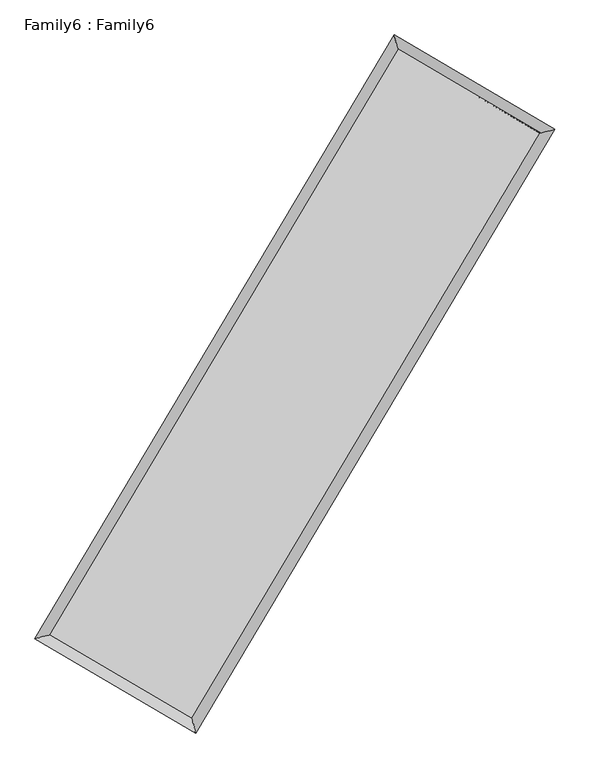
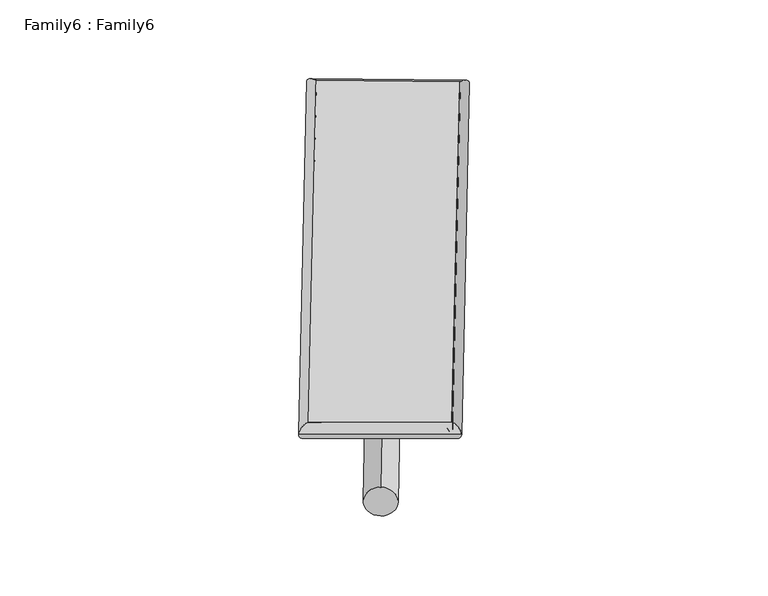
"""IFC4 building model written with IfcOpenShell, lengths in millimetres: plate geometry, Family6 : Family6."""

from ifc_helpers import new_model, si_unit, point, frame, origin, origin_2d, place, context, project, spatial, circle_curve, ellipse_curve, trimmed, segment, composite_curve, outline, extrude, source, transform, mapped, element, save
from ifc_brep_helpers import plane_surface, cylinder_surface, spline_surface, advanced_brep


def family6_family6_3de015d8(model_context):
    return source(origin(), model_context, "Body", "SolidModel", [
        extrude(outline(composite_curve([segment(trimmed(circle_curve(origin_2d(), 76.2), [point((-75.4341514, -10.7763073))], [point((75.4341514, 10.7763073))], False, "CARTESIAN"), True, "CONTINUOUS"), segment(trimmed(circle_curve(origin_2d(), 76.2), [point((75.4341514, 10.7763073))], [point((-75.4341514, -10.7763073))], False, "CARTESIAN"), True, "CONTINUOUS")], self_intersect=False)), frame((9144.0, 9144.0, 0.0), z_axis=(0.6738404526120105, 0.6870495938164237, 0.27184903910135194), x_axis=(-0.678987522607237, 0.7208910696631528, -0.13889567964340185)), (0.0, 0.0, 1.0), 5573.172594),
        extrude(outline(composite_curve([segment(trimmed(circle_curve(origin_2d(), 76.2), [point((-53.8815367, 53.8815368))], [point((53.8815367, -53.8815368))], False, "CARTESIAN"), True, "CONTINUOUS"), segment(trimmed(circle_curve(origin_2d(), 76.2), [point((53.8815367, -53.8815368))], [point((-53.8815367, 53.8815368))], False, "CARTESIAN"), True, "CONTINUOUS")], self_intersect=False)), frame((9144.0, 9144.0, 0.0), z_axis=(-0.6738600204006896, -0.6870392351611398, 0.2718267136518744), x_axis=(0.6404924702672798, -0.35976485795964586, 0.6784826029517584)), (0.0, 0.0, 1.0), 5573.6958231),
        extrude(outline(composite_curve([segment(trimmed(circle_curve(origin_2d(), 76.2), [point((-53.8815367, -53.8815367))], [point((53.8815367, 53.8815367))], False, "CARTESIAN"), True, "CONTINUOUS"), segment(trimmed(circle_curve(origin_2d(), 76.2), [point((53.8815367, 53.8815367))], [point((-53.8815367, -53.8815367))], False, "CARTESIAN"), True, "CONTINUOUS")], self_intersect=False)), frame((9144.0, 9144.0, 0.0), z_axis=(0.2814075840632882, 0.9193897398663697, 0.274831362584608), x_axis=(-0.8386795444943995, 0.3748190223263223, -0.3951295004792815)), (0.0, 0.0, 1.0), 5565.8422614),
        extrude(outline(composite_curve([segment(trimmed(circle_curve(origin_2d(), 76.2), [point((-75.4341515, 10.7763073))], [point((75.4341515, -10.7763073))], False, "CARTESIAN"), True, "CONTINUOUS"), segment(trimmed(circle_curve(origin_2d(), 76.2), [point((75.4341515, -10.7763073))], [point((-75.4341515, 10.7763073))], False, "CARTESIAN"), True, "CONTINUOUS")], self_intersect=False)), frame((9144.0, 9144.0, 0.0), z_axis=(-0.2812984012457871, -0.9193977548468617, 0.27491631060945526), x_axis=(0.8762645610529559, -0.12931103295140445, 0.4641541509021669)), (0.0, 0.0, 1.0), 5564.0526329),
        advanced_brep(
        [(5178.7795601, 5260.8448065, 1516.2488893), (5597.4462315, 5368.4700506, 1516.5563795), (5597.4388779, 5368.4597629, 1513.9099477), (10763.6987373, 14052.9167024, 1528.0712007), (10656.8417108, 14469.4398353, 1531.2648246), (5178.7722064, 5260.8345188, 1513.6024575), (12690.1678706, 12919.3548137, 1515.2175083), (13108.6904159, 13026.7371203, 1514.9057205), (7525.3281289, 4236.5655149, 1529.3777074), (7632.353651, 3820.2794881, 1529.9199364)],
        [
            (0, 1, ellipse_curve(frame((5388.109219, 5314.6522847, 1515.0794185), z_axis=(-0.2489685284197286, 0.9685066998433749, -0.0030731441569767947), x_axis=(-0.9684951627714637, -0.2489815286359632, -0.005031708097164942)), 216.1496508, 152.4)),
            (1, 2, ellipse_curve(frame((5388.109219, 5314.6522847, 1515.0794185), z_axis=(-0.2489685284197286, 0.9685066998433749, -0.0030731441569767947), x_axis=(-0.9684951627714637, -0.2489815286359632, -0.005031708097164942)), 216.1496508, 152.4)),
            (2, 3),
            (3, 4, ellipse_curve(frame((10710.2702241, 14261.1782688, 1529.6680126), z_axis=(-0.9686221807957982, -0.24851893093756824, 0.003067871581441795), x_axis=(0.24850184329662856, -0.9686181583054656, -0.005069248376831701)), 215.0123029, 152.4)),
            (4, 0),
            (2, 5, ellipse_curve(frame((5388.109219, 5314.6522847, 1515.0794185), z_axis=(-0.2489685284197286, 0.9685066998433749, -0.0030731441569767947), x_axis=(-0.9684951627714637, -0.2489815286359632, -0.005031708097164942)), 216.1496508, 152.4)),
            (5, 0, ellipse_curve(frame((5388.109219, 5314.6522847, 1515.0794185), z_axis=(-0.2489685284197286, 0.9685066998433749, -0.0030731441569767947), x_axis=(-0.9684951627714637, -0.2489815286359632, -0.005031708097164942)), 216.1496508, 152.4)),
            (4, 3, ellipse_curve(frame((10710.2702241, 14261.1782688, 1529.6680126), z_axis=(-0.9686221807957982, -0.24851893093756824, 0.003067871581441795), x_axis=(0.24850184329662856, -0.9686181583054656, -0.005069248376831701)), 215.0123029, 152.4)),
            (3, 6),
            (6, 7, ellipse_curve(frame((12899.4291432, 12973.045967, 1515.0616144), z_axis=(-0.24852149206713975, 0.9686214775028642, 0.0030824180266437167), x_axis=(-0.9686098860931323, -0.2485345733520358, 0.005045236502968881)), 216.0414899, 152.4)),
            (7, 4),
            (7, 6, ellipse_curve(frame((12899.4291432, 12973.045967, 1515.0616144), z_axis=(-0.24852149206713975, 0.9686214775028642, 0.0030824180266437167), x_axis=(-0.9686098860931323, -0.2485345733520358, 0.005045236502968881)), 216.0414899, 152.4)),
            (6, 8),
            (8, 9, ellipse_curve(frame((7578.8408899, 4028.4225015, 1529.6488219), z_axis=(0.9684983688866305, 0.2490011521925414, 0.0030554329845161503), x_axis=(-0.24898414986149892, 0.968494337404156, -0.00506078391472398)), 214.9136158, 152.4)),
            (9, 7),
            (9, 8, ellipse_curve(frame((7578.8408899, 4028.4225015, 1529.6488219), z_axis=(0.9684983688866305, 0.2490011521925414, 0.0030554329845161503), x_axis=(-0.24898414986149892, 0.968494337404156, -0.00506078391472398)), 214.9136158, 152.4)),
            (8, 1),
            (5, 9),
        ],
        [
            cylinder_surface(frame((5388.109219, 5314.6522847, 1515.0794185), z_axis=(-0.5112597599742046, -0.8594250949702069, -0.0014014159162131705), x_axis=(-0.8593969939184911, 0.511228231840874, 0.009083050848418695)), 152.4),
            cylinder_surface(frame((10710.2702241, 14261.1782688, 1529.6680126), z_axis=(-0.8618525539822919, 0.5071263234911969, 0.005750410116050713), x_axis=(0.5071525411265674, 0.8618431942647262, 0.004754842630274385)), 152.4),
            cylinder_surface(frame((12899.4291432, 12973.045967, 1515.0616144), z_axis=(0.5112284639985573, 0.8594437114110196, -0.0014016111186206045), x_axis=(0.8594447679171756, -0.5112284639985573, 0.0003853536920200556)), 152.4),
            cylinder_surface(frame((7578.8408899, 4028.4225015, 1529.6488219), z_axis=(0.8623387795224002, -0.5062992588872309, 0.005734961382420719), x_axis=(-0.5062842853506616, -0.8623577160152197, -0.003923268533192007)), 152.4),
        ],
        [
            (0, [[1, 2, 3, 4, 5]]),
            (0, [[6, 7, -5, 8, -3]]),
            (1, [[-4, 9, 10, 11]]),
            (1, [[-8, -11, 12, -9]]),
            (2, [[-10, 13, 14, 15]]),
            (2, [[-12, -15, 16, -13]]),
            (3, [[-14, 17, -1, -7, 18]]),
            (3, [[-16, -18, -6, -2, -17]]),
        ],
    ),
        extrude(outline(composite_curve([segment(trimmed(circle_curve(origin_2d(), 304.8), [point((1e-07, -304.8))], [point((0.0, 304.8))], False, "CARTESIAN"), True, "CONTINUOUS"), segment(trimmed(circle_curve(origin_2d(), 304.8), [point((0.0, 304.8))], [point((1e-07, -304.8))], False, "CARTESIAN"), True, "CONTINUOUS")], self_intersect=False)), frame((6480.6749464, 4649.484394, -5.22e-05), z_axis=(0.5097894136161817, 0.8602992233896702, 9.99769015313384e-09), x_axis=(-0.8602992233896702, 0.5097894136161817, 2.739729467496951e-09)), (0.0, 0.0, 1.0), 10448.7264053),
        advanced_brep(
        [(5388.109219, 5314.6522847, 1515.0794185), (7578.8408899, 4028.4225015, 1529.6488219), (7578.8417698, 4028.4219372, 1682.0488219), (5388.1100988, 5314.6517204, 1667.4794185), (12899.4291432, 12973.045967, 1515.0616144), (12899.4300231, 12973.0454027, 1667.4616144), (10710.2702241, 14261.1782688, 1529.6680126), (10710.2711039, 14261.1777045, 1682.0680126)],
        [
            (0, 1),
            (1, 2),
            (2, 3),
            (3, 0),
            (1, 4),
            (4, 5),
            (5, 2),
            (4, 6),
            (6, 7),
            (7, 5),
            (6, 0),
            (3, 7),
        ],
        [
            plane_surface(frame((6483.4750544, 4671.5373931, 1522.3641202), z_axis=(-0.5063075837934103, -0.8623529617234501, -2.700012554082351e-07), x_axis=(0.8623387795224002, -0.5062992588872312, 0.005734961382420724))),
            plane_surface(frame((10239.1350166, 8500.7342342, 1522.3552181), z_axis=(0.8594445506747059, -0.5112289744024331, -6.8549086518393575e-06), x_axis=(0.5112284639985573, 0.8594437114110197, -0.0014016111186206032))),
            plane_surface(frame((11804.8496836, 13617.1121179, 1522.3648135), z_axis=(0.507134709632677, 0.8618668030999405, 2.6342575688061837e-07), x_axis=(-0.8618525539822917, 0.5071263234911974, 0.005750410116050717))),
            plane_surface(frame((8049.1897215, 9787.9152768, 1522.3737156), z_axis=(-0.8594259438038081, 0.5112602537553099, 6.8549170480032215e-06), x_axis=(-0.5112597599742045, -0.8594250949702066, -0.0014014159162131687))),
            spline_surface(1, 1, [[(7578.8417698, 4028.4219372, 1682.0488219), (5388.1100988, 5314.6517204, 1667.4794185)], [(12899.4300231, 12973.0454027, 1667.4616144), (10710.2711039, 14261.1777045, 1682.0680126)]], [2, 2], [2, 2], [0.0, 1.0], [0.0, 1.0]),
            spline_surface(1, 1, [[(10710.2702241, 14261.1782688, 1529.6680126), (5388.109219, 5314.6522847, 1515.0794185)], [(12899.4291432, 12973.045967, 1515.0616144), (7578.8408899, 4028.4225015, 1529.6488219)]], [2, 2], [2, 2], [0.0, 1.0], [0.0, 1.0]),
        ],
        [
            (0, [[1, 2, 3, 4]]),
            (1, [[5, 6, 7, -2]]),
            (2, [[8, 9, 10, -6]]),
            (3, [[11, -4, 12, -9]]),
            (4, [[-3, -7, -10, -12]]),
            (5, [[-11, -8, -5, -1]]),
        ],
    ),
    ])


if __name__ == "__main__":
    model = new_model("IFC4")
    model_context = context("Model", 3, world=origin())
    ifc_project = project(units=[si_unit("LENGTHUNIT", "METRE", prefix="MILLI")], contexts=[model_context])
    site = spatial("IfcSite", under=ifc_project)
    building = spatial("IfcBuilding", under=site)
    placement = place(None, origin())
    family6_family6_shape = family6_family6_3de015d8(model_context)
    element("IfcPlate", 1, ObjectType="Family6 : Family6", at=placement, inside=building, context=model_context, shape_type="MappedRepresentation", body=[
        mapped(family6_family6_shape, transform((0.0, 0.0, 0.0), x_axis=(1.0, 0.0, 0.0), y_axis=(0.0, 1.0, 0.0), z_axis=(0.0, 0.0, 1.0))),
    ])
    save(model, "model.ifc")
